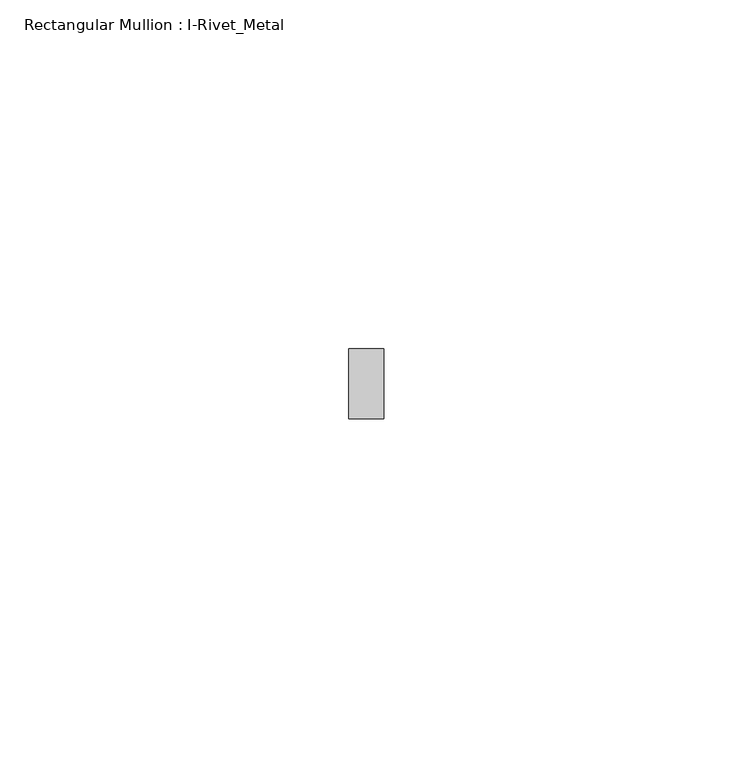
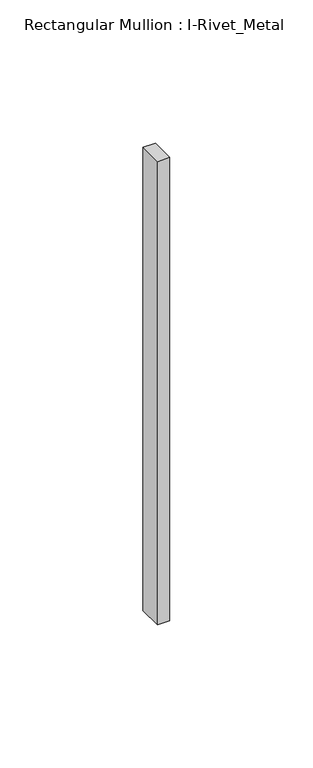
"""IFC4 building model written with IfcOpenShell, lengths in millimetres: member geometry, Rectangular Mullion : I-Rivet_Metal."""

import ifcopenshell
import ifcopenshell.guid

model = None  # the IFC model being written
_history = None  # IfcOwnerHistory: only IFC2X3 demands one
_inside = {}  # id of a spatial element -> (the spatial element, [elements in it])
_under = {}  # id of a project, library or spatial element -> (it, [spatial elements below it])
_declared = {}  # id of a project -> (the project, [libraries it declares])
_typed = {}  # id of a type object -> (the type object, [elements of that type])
_made_of = {}  # id of a material, layer set ... -> (it, [elements and type objects made of it])


def new_model(schema):
    """Start an empty IFC model of exactly this schema.

    Asked for "IFC4X3", IfcOpenShell would pick the latest addendum, in which some entities
    have other attributes; the version numbers below select the first issue.
    IFC2X3 requires an IfcOwnerHistory on every rooted entity: one is made here for all.
    """
    global model, _history
    if schema == "IFC4X3":
        model = ifcopenshell.file(schema_version=(4, 3, 0, 0))
    else:
        model = ifcopenshell.file(schema=schema)
    _inside.clear()
    _under.clear()
    _declared.clear()
    _typed.clear()
    _made_of.clear()
    _history = None
    if model.schema == "IFC2X3":
        org = make("IfcOrganization", Name="unknown")
        user = make(
            "IfcPersonAndOrganization",
            ThePerson=make("IfcPerson", FamilyName="unknown"),
            TheOrganization=org,
        )
        app = make(
            "IfcApplication",
            ApplicationDeveloper=org,
            Version="unknown",
            ApplicationFullName="unknown",
            ApplicationIdentifier="unknown",
        )
        _history = make(
            "IfcOwnerHistory",
            OwningUser=user,
            OwningApplication=app,
            ChangeAction="ADDED",
            CreationDate=0,
        )
    return model


def make(cls, **values):
    """One entity of the class cls with the attributes given. An attribute that is None is left unset."""
    return model.create_entity(
        cls, **{name: value for name, value in values.items() if value is not None}
    )


def rooted(cls, **values):
    """An entity with a GlobalId (a new one), such as an element, a storey or a relation."""
    return make(cls, GlobalId=ifcopenshell.guid.new(), OwnerHistory=_history, **values)


def si_unit(unit_type, name, prefix=None):
    """IfcSIUnit, for example si_unit("LENGTHUNIT", "METRE", prefix="MILLI")."""
    return make("IfcSIUnit", UnitType=unit_type, Prefix=prefix, Name=name)


def assignment(units):
    """IfcUnitAssignment: the units of a project."""
    return None if units is None else make("IfcUnitAssignment", Units=units)


def point(xyz):
    """IfcCartesianPoint."""
    return None if xyz is None else make("IfcCartesianPoint", Coordinates=xyz)


def direction(xyz):
    """IfcDirection."""
    return None if xyz is None else make("IfcDirection", DirectionRatios=xyz)


def frame(location, z_axis=None, x_axis=None):
    """IfcAxis2Placement3D, a coordinate frame: its origin and axes. An axis left out is left unset."""
    return make(
        "IfcAxis2Placement3D",
        Location=point(location),
        Axis=direction(z_axis),
        RefDirection=direction(x_axis),
    )


def origin():
    """The frame at (0, 0, 0) with its axes left unset."""
    return frame((0.0, 0.0, 0.0))


def place(relative_to, where):
    """IfcLocalPlacement: puts the frame where relative to a parent placement (None: the world)."""
    return make(
        "IfcLocalPlacement", PlacementRelTo=relative_to, RelativePlacement=where
    )


def context(
    kind, dimensions, precision=None, world=None, true_north=None, identifier=None
):
    """IfcGeometricRepresentationContext, for example the 3D "Model" context."""
    return make(
        "IfcGeometricRepresentationContext",
        ContextIdentifier=identifier,
        ContextType=kind,
        CoordinateSpaceDimension=dimensions,
        Precision=precision,
        WorldCoordinateSystem=world,
        TrueNorth=true_north,
    )


def project(units=None, contexts=None):
    """IfcProject with its units and contexts."""
    return rooted(
        "IfcProject",
        Name="project",
        RepresentationContexts=contexts,
        UnitsInContext=assignment(units),
    )


def spatial(cls, under=None, at=None, **own):
    """A site, building, storey or space (cls), placed at a placement, below another one or the project."""
    s = rooted(cls, ObjectPlacement=at, **own)
    if under is not None:
        _under.setdefault(under.id(), (under, []))[1].append(s)
    return s


def polyline(points):
    """IfcPolyline through the points."""
    return make("IfcPolyline", Points=[point(p) for p in points])


def outline(outer, holes=None, kind="AREA"):
    """IfcArbitraryClosedProfileDef: a profile drawn as a closed curve; with holes, ...WithVoids."""
    if holes is None:
        return make("IfcArbitraryClosedProfileDef", ProfileType=kind, OuterCurve=outer)
    return make(
        "IfcArbitraryProfileDefWithVoids",
        ProfileType=kind,
        OuterCurve=outer,
        InnerCurves=holes,
    )


def extrude(swept, where, along, depth):
    """IfcExtrudedAreaSolid: the profile swept, set in the frame where, extruded along a direction by depth."""
    return make(
        "IfcExtrudedAreaSolid",
        SweptArea=swept,
        Position=where,
        ExtrudedDirection=direction(along),
        Depth=depth,
    )


def shape(context_of_items, identifier, shape_type, items):
    """IfcShapeRepresentation: the items that make up one representation, for example the "Body"."""
    return make(
        "IfcShapeRepresentation",
        ContextOfItems=context_of_items,
        RepresentationIdentifier=identifier,
        RepresentationType=shape_type,
        Items=items,
    )


def source(mapping_origin, context_of_items, identifier, shape_type, items):
    """IfcRepresentationMap: a shape defined once, which mapped items show again and again."""
    return make(
        "IfcRepresentationMap",
        MappingOrigin=mapping_origin,
        MappedRepresentation=shape(context_of_items, identifier, shape_type, items),
    )


def transform(
    local_origin,
    x_axis=None,
    y_axis=None,
    z_axis=None,
    scale=None,
    scale2=None,
    scale3=None,
    uniform=True,
):
    """IfcCartesianTransformationOperator3D, or its non-uniform kind. x_axis, y_axis, z_axis: its Axis1, 2, 3."""
    if uniform:
        return make(
            "IfcCartesianTransformationOperator3D",
            Axis1=direction(x_axis),
            Axis2=direction(y_axis),
            LocalOrigin=point(local_origin),
            Scale=scale,
            Axis3=direction(z_axis),
        )
    return make(
        "IfcCartesianTransformationOperator3DnonUniform",
        Axis1=direction(x_axis),
        Axis2=direction(y_axis),
        LocalOrigin=point(local_origin),
        Scale=scale,
        Axis3=direction(z_axis),
        Scale2=scale2,
        Scale3=scale3,
    )


def mapped(mapping_source, mapping_target):
    """IfcMappedItem: shows the shape of a source again, moved by a transform."""
    return make(
        "IfcMappedItem", MappingSource=mapping_source, MappingTarget=mapping_target
    )


def made_of(thing, what):
    """Note that an element or type object is made of a material, layer set ...; save() writes the relation."""
    if what is not None:
        _made_of.setdefault(what.id(), (what, []))[1].append(thing)
    return thing


def element(
    cls,
    number,
    at=None,
    inside=None,
    cuts=None,
    type_object=None,
    material=None,
    context=None,
    identifier="Body",
    shape_type=None,
    held_by="IfcProductDefinitionShape",
    body=None,
    shapes=None,
    **own,
):
    """One element of the class cls, such as IfcWall. Its Tag is "e" and its number.

    at: its placement. inside: the storey or other place that contains it. cuts: it is an
    opening in that element (IfcRelVoidsElement). A single representation is given by context,
    identifier, shape_type and body (its items); several are given by shapes. held_by: the class
    of the entity that holds the representations. save() writes the other relations.
    """
    e = rooted(cls, Tag="e%d" % number, ObjectPlacement=at, **own)
    if body is not None:
        shapes = [shape(context, identifier, shape_type, body)]
    if shapes is not None:
        e.Representation = make(held_by, Representations=shapes)
    if inside is not None:
        _inside.setdefault(inside.id(), (inside, []))[1].append(e)
    if cuts is not None:
        rooted(
            "IfcRelVoidsElement", RelatingBuildingElement=cuts, RelatedOpeningElement=e
        )
    if type_object is not None:
        _typed.setdefault(type_object.id(), (type_object, []))[1].append(e)
    return made_of(e, material)


def aggregate(whole, parts):
    """IfcRelAggregates: a whole, such as a stair, and the parts it consists of."""
    return rooted("IfcRelAggregates", RelatingObject=whole, RelatedObjects=parts)


def save(model, path):
    """Write the relations noted so far, then the file.

    IfcRelAggregates (storeys below a building ...), IfcRelContainedInSpatialStructure (elements
    in a storey), IfcRelDefinesByType, IfcRelAssociatesMaterial and IfcRelDeclares: one each for
    every whole, place, type object, material and project.
    """
    for whole, parts in _under.values():
        aggregate(whole, parts)
    for where, things in _inside.values():
        rooted(
            "IfcRelContainedInSpatialStructure",
            RelatedElements=things,
            RelatingStructure=where,
        )
    for kind, things in _typed.values():
        rooted("IfcRelDefinesByType", RelatedObjects=things, RelatingType=kind)
    for what, things in _made_of.values():
        rooted("IfcRelAssociatesMaterial", RelatedObjects=things, RelatingMaterial=what)
    for by, libraries in _declared.values():
        rooted("IfcRelDeclares", RelatingContext=by, RelatedDefinitions=libraries)
    model.write(path)


def rectangular_mullion_i_rivet_metal_20626f6f(model_context):
    return source(origin(), model_context, "Body", "SweptSolid", [
        extrude(outline(polyline([(-5.0, 70.0), (-5.0, 80.0), (0.0, 80.0), (0.0, 70.0), (-5.0, 70.0)])), frame((0.0, 0.0, -197.5), z_axis=(0.0, 0.0, 1.0), x_axis=(1.0, 0.0, 0.0)), (0.0, 0.0, 1.0), 197.5),
    ])


if __name__ == "__main__":
    model = new_model("IFC4")
    model_context = context("Model", 3, world=origin())
    ifc_project = project(units=[si_unit("LENGTHUNIT", "METRE", prefix="MILLI")], contexts=[model_context])
    site = spatial("IfcSite", under=ifc_project)
    building = spatial("IfcBuilding", under=site)
    placement = place(None, origin())
    rectangular_mullion_i_rivet_metal_shape = rectangular_mullion_i_rivet_metal_20626f6f(model_context)
    element("IfcMember", 1, ObjectType="Rectangular Mullion : I-Rivet_Metal", at=placement, inside=building, context=model_context, shape_type="MappedRepresentation", body=[
        mapped(rectangular_mullion_i_rivet_metal_shape, transform((0.0, 0.0, 0.0), x_axis=(1.0, 0.0, 0.0), y_axis=(0.0, 1.0, 0.0), z_axis=(0.0, 0.0, 1.0))),
    ])
    save(model, "model.ifc")
